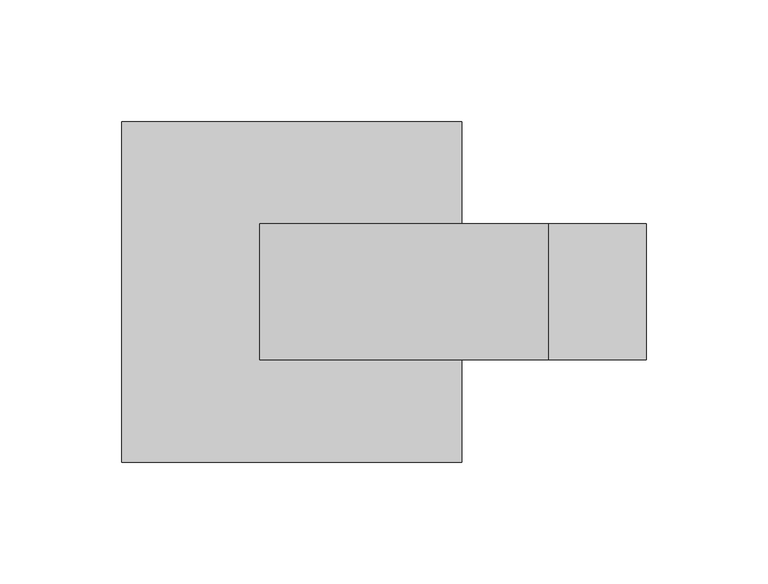
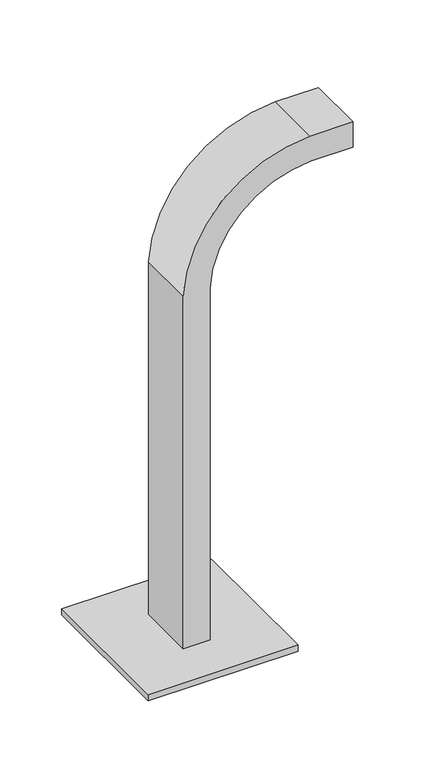
"""IFC4 building model written with IfcOpenShell, lengths in millimetres: furniture geometry."""

from ifc_helpers import new_model, si_unit, point, frame, frame_2d, origin, origin_with_axes, place, context, project, spatial, polyline, circle_curve, trimmed, segment, composite_curve, outline, extrude, source, transform, mapped, element, save


def furniture_2e7379fc(model_context):
    return source(origin(), model_context, "Body", "SweptSolid", [
        extrude(outline(composite_curve([segment(trimmed(circle_curve(frame_2d((353.0696692, -310.1651072)), 98.0547414), [point((358.7575366, -408.0547414))], [point((451.0547414, -313.8607731))], True, "CARTESIAN"), True, "CONTINUOUS"), segment(polyline([(451.0547414, -313.8607731), (451.0547414, -274.0794885), (476.0547414, -274.0794885), (476.0547414, -314.3053257)]), True, "CONTINUOUS"), segment(trimmed(circle_curve(frame_2d((353.0696692, -310.1651072)), 123.0547414), [point((476.0547414, -314.3053257))], [point((359.4420469, -433.0547414))], False, "CARTESIAN"), True, "CONTINUOUS"), segment(polyline([(359.4420469, -433.0547414), (11.0, -433.0547414), (11.0, -408.0547414), (358.7575366, -408.0547414)]), True, "CONTINUOUS")], self_intersect=False)), frame((0.0, -27.920928, 0.0), z_axis=(0.0, 1.0, 0.0), x_axis=(0.0, 0.0, 1.0)), (0.0, 0.0, 1.0), 55.8418559),
        extrude(outline(composite_curve([segment(trimmed(circle_curve(frame_2d((-478.0500045, 58.0314537)), 5.0), [point((-483.0500045, 58.0314537))], [point((-473.0500045, 58.0314537))], False, "CARTESIAN"), True, "CONTINUOUS"), segment(trimmed(circle_curve(frame_2d((-478.0500045, 58.0314537)), 5.0), [point((-473.0500045, 58.0314537))], [point((-483.0500045, 58.0314537))], False, "CARTESIAN"), True, "CONTINUOUS")], self_intersect=False)), origin_with_axes(), (0.0, 0.0, 1.0), 5.0),
        extrude(outline(composite_curve([segment(trimmed(circle_curve(frame_2d((-361.9499955, 58.0314537)), 5.0), [point((-366.9499955, 58.0314537))], [point((-356.9499955, 58.0314537))], False, "CARTESIAN"), True, "CONTINUOUS"), segment(trimmed(circle_curve(frame_2d((-361.9499955, 58.0314537)), 5.0), [point((-356.9499955, 58.0314537))], [point((-366.9499955, 58.0314537))], False, "CARTESIAN"), True, "CONTINUOUS")], self_intersect=False)), origin_with_axes(), (0.0, 0.0, 1.0), 5.0),
        extrude(outline(composite_curve([segment(trimmed(circle_curve(frame_2d((-478.0500045, -58.0314537)), 5.0), [point((-483.0500045, -58.0314537))], [point((-473.0500045, -58.0314537))], False, "CARTESIAN"), True, "CONTINUOUS"), segment(trimmed(circle_curve(frame_2d((-478.0500045, -58.0314537)), 5.0), [point((-473.0500045, -58.0314537))], [point((-483.0500045, -58.0314537))], False, "CARTESIAN"), True, "CONTINUOUS")], self_intersect=False)), origin_with_axes(), (0.0, 0.0, 1.0), 5.0),
        extrude(outline(composite_curve([segment(trimmed(circle_curve(frame_2d((-361.9499955, -58.0314537)), 5.0), [point((-366.9499955, -58.0314537))], [point((-356.9499955, -58.0314537))], False, "CARTESIAN"), True, "CONTINUOUS"), segment(trimmed(circle_curve(frame_2d((-361.9499955, -58.0314537)), 5.0), [point((-356.9499955, -58.0314537))], [point((-366.9499955, -58.0314537))], False, "CARTESIAN"), True, "CONTINUOUS")], self_intersect=False)), origin_with_axes(), (0.0, 0.0, 1.0), 5.0),
        extrude(outline(polyline([(-350.0, 70.0), (-350.0, -70.0), (-490.0, -70.0), (-490.0, 70.0), (-350.0, 70.0)])), frame((0.0, 0.0, 5.0), z_axis=(0.0, 0.0, 1.0), x_axis=(1.0, 0.0, 0.0)), (0.0, 0.0, 1.0), 6.0),
    ])


if __name__ == "__main__":
    model = new_model("IFC4")
    model_context = context("Model", 3, world=origin())
    ifc_project = project(units=[si_unit("LENGTHUNIT", "METRE", prefix="MILLI")], contexts=[model_context])
    site = spatial("IfcSite", under=ifc_project)
    building = spatial("IfcBuilding", under=site)
    placement = place(None, origin())
    furniture_shape = furniture_2e7379fc(model_context)
    element("IfcFurniture", 1, at=placement, inside=building, context=model_context, shape_type="MappedRepresentation", body=[
        mapped(furniture_shape, transform((0.0, 0.0, 0.0), x_axis=(1.0, 0.0, 0.0), y_axis=(0.0, 1.0, 0.0), z_axis=(0.0, 0.0, 1.0))),
    ])
    save(model, "model.ifc")
